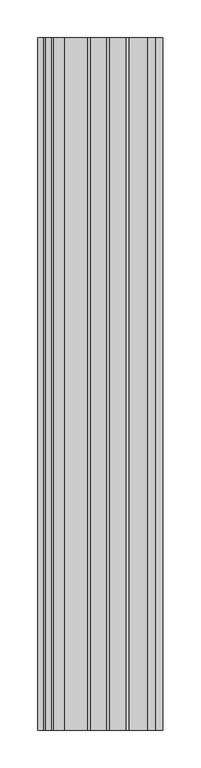
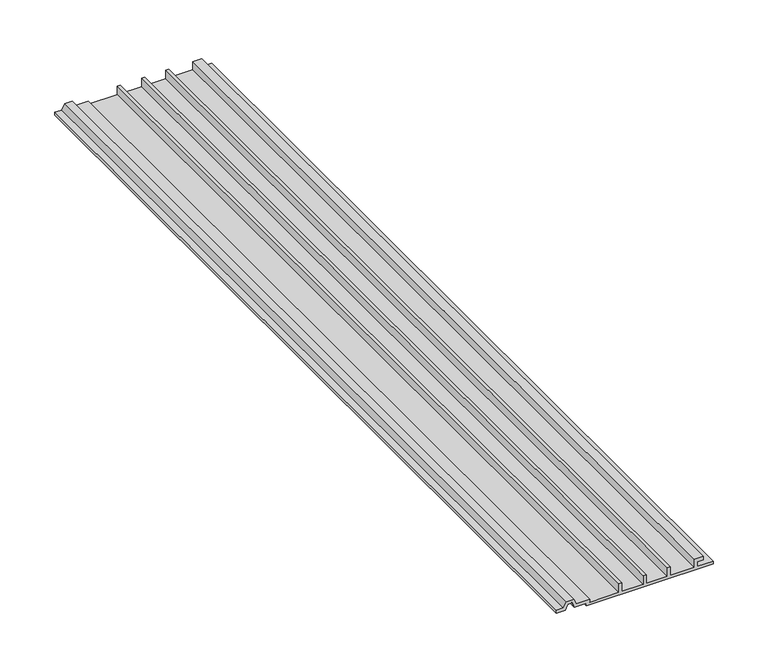
"""IFC4 building model written with IfcOpenShell, lengths in millimetres: proxy geometry."""

from ifc_helpers import new_model, si_unit, frame, origin, place, context, project, spatial, polyline, outline, extrude, source, transform, mapped, element, save


def generic_models_9574b70d(model_context):
    return source(origin(), model_context, "Body", "SweptSolid", [
        extrude(outline(polyline([(2962.2819019, 38096.1570642), (2962.2819019, 38079.4883142), (2967.1948924, 38079.4883142), (2967.1948924, 38085.8383142), (2971.0923404, 38085.8383142), (2971.0923404, 38076.3133142), (2962.2819019, 38076.3133142), (2962.2819019, 38050.9133142), (2971.8069019, 38050.9133142), (2971.8069019, 38047.7383142), (2962.2819019, 38047.7383142), (2962.2819019, 38025.5133142), (2971.8069019, 38025.5133142), (2971.8069019, 38022.3383142), (2962.2819019, 38022.3383142), (2962.2819019, 38000.1133142), (2971.8069019, 38000.1133142), (2971.8069019, 37996.9383142), (2962.2819019, 37996.9383142), (2962.2819019, 37965.9820642), (2965.4569019, 37965.9820642), (2965.4569019, 37952.1297622), (2971.4958925, 37949.3137347), (2971.4958925, 37941.3753937), (2965.4569019, 37938.5593661), (2965.4569019, 37931.0570642), (2962.2819019, 37931.0570642), (2962.2819019, 37940.5820642), (2967.7055244, 37943.1111409), (2967.7055244, 37947.5779874), (2962.2819019, 37950.1070642), (2962.2819019, 37962.8070642), (2959.1069019, 37962.8070642), (2959.1069019, 38096.1570642), (2962.2819019, 38096.1570642)])), frame((0.0, -19576.8264268, 0.0), z_axis=(0.0, 1.0, 0.0), x_axis=(0.0, 0.0, 1.0)), (0.0, 0.0, 1.0), 914.4),
    ])


if __name__ == "__main__":
    model = new_model("IFC4")
    model_context = context("Model", 3, world=origin())
    ifc_project = project(units=[si_unit("LENGTHUNIT", "METRE", prefix="MILLI")], contexts=[model_context])
    site = spatial("IfcSite", under=ifc_project)
    building = spatial("IfcBuilding", under=site)
    placement = place(None, origin())
    generic_models_shape = generic_models_9574b70d(model_context)
    element("IfcBuildingElementProxy", 1, Name="Generic Models", at=placement, inside=building, context=model_context, shape_type="MappedRepresentation", body=[
        mapped(generic_models_shape, transform((0.0, 0.0, 0.0), x_axis=(1.0, 0.0, 0.0), y_axis=(0.0, 1.0, 0.0), z_axis=(0.0, 0.0, 1.0))),
    ])
    save(model, "model.ifc")
